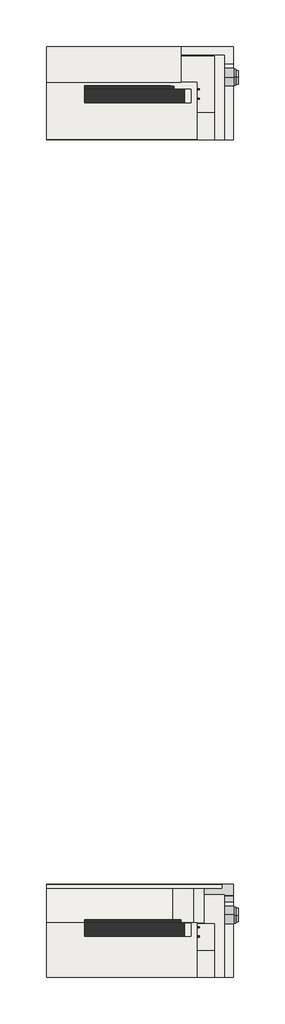
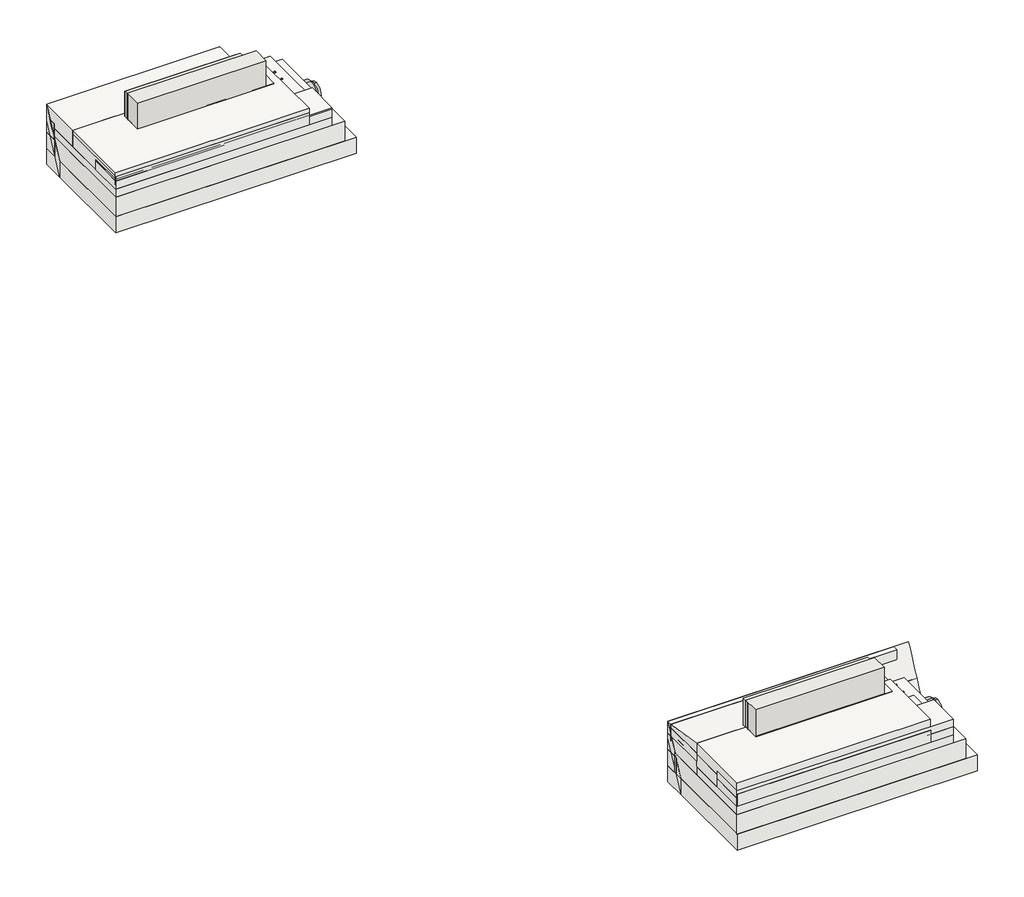
# One storey: 27 slabs, 6 duct segments, 5 walls, 4 cable carrier segments, 2 coverings.
"""IFC4 building model written with IfcOpenShell, lengths in millimetres."""

from ifc_helpers import new_model, si_unit, point, frame, frame_2d, origin, origin_with_axes, place, context, project, spatial, polyline, circle_curve, trimmed, segment, composite_curve, outline, extrude, element, save
from ifc_brep_helpers import plane_surface, spline_surface, advanced_brep

model = new_model("IFC4")

# Units and contexts
model_context = context("Model", 3, world=origin())
ifc_project = project(units=[si_unit("LENGTHUNIT", "METRE", prefix="MILLI")], contexts=[model_context])

# Site, building, storey
site = spatial("IfcSite", under=ifc_project)
building = spatial("IfcBuilding", under=site)
storey = spatial("IfcBuildingStorey", under=building, Elevation=0.0)

# Cable carrier segments
placement = place(None, origin())
element("IfcCableCarrierSegment", 1, at=placement, inside=storey, context=model_context, shape_type="SweptSolid", body=[
    extrude(outline(composite_curve([segment(trimmed(circle_curve(frame_2d((262.2564599, 791.2288643)), 11.71), [point((273.9664599, 791.2288643))], [point((262.2564599, 779.5188643))], False, "CARTESIAN"), True, "CONTINUOUS"), segment(trimmed(circle_curve(frame_2d((262.2564599, 791.2288643)), 11.71), [point((262.2564599, 779.5188643))], [point((250.5464599, 791.2288643))], False, "CARTESIAN"), True, "CONTINUOUS"), segment(trimmed(circle_curve(frame_2d((262.2564599, 791.2288643)), 11.71), [point((250.5464599, 791.2288643))], [point((262.2564599, 802.9388643))], False, "CARTESIAN"), True, "CONTINUOUS"), segment(trimmed(circle_curve(frame_2d((262.2564599, 791.2288643)), 11.71), [point((262.2564599, 802.9388643))], [point((273.9664599, 791.2288643))], False, "CARTESIAN"), True, "CONTINUOUS")], self_intersect=False)), frame((-19193.1632659, 0.0, 0.0), z_axis=(1.0, 0.0, 0.0), x_axis=(0.0, 1.0, 0.0)), (0.0, 0.0, 1.0), 980.0),
])
element("IfcCableCarrierSegment", 2, at=placement, inside=storey, context=model_context, shape_type="SweptSolid", body=[
    extrude(outline(composite_curve([segment(trimmed(circle_curve(frame_2d((475.0128628, 791.2288643)), 11.71), [point((486.7228628, 791.2288643))], [point((475.0128628, 779.5188643))], False, "CARTESIAN"), True, "CONTINUOUS"), segment(trimmed(circle_curve(frame_2d((475.0128628, 791.2288643)), 11.71), [point((475.0128628, 779.5188643))], [point((463.3028628, 791.2288643))], False, "CARTESIAN"), True, "CONTINUOUS"), segment(trimmed(circle_curve(frame_2d((475.0128628, 791.2288643)), 11.71), [point((463.3028628, 791.2288643))], [point((475.0128628, 802.9388643))], False, "CARTESIAN"), True, "CONTINUOUS"), segment(trimmed(circle_curve(frame_2d((475.0128628, 791.2288643)), 11.71), [point((475.0128628, 802.9388643))], [point((486.7228628, 791.2288643))], False, "CARTESIAN"), True, "CONTINUOUS")], self_intersect=False)), frame((-19193.1632659, 0.0, 0.0), z_axis=(1.0, 0.0, 0.0), x_axis=(0.0, 1.0, 0.0)), (0.0, 0.0, 1.0), 980.0),
])
element("IfcCableCarrierSegment", 3, at=placement, inside=storey, context=model_context, shape_type="SweptSolid", body=[
    extrude(outline(composite_curve([segment(trimmed(circle_curve(frame_2d((-18637.7435401, 871.2288643)), 11.71), [point((-18626.0335401, 871.2288643))], [point((-18637.7435401, 859.5188643))], False, "CARTESIAN"), True, "CONTINUOUS"), segment(trimmed(circle_curve(frame_2d((-18637.7435401, 871.2288643)), 11.71), [point((-18637.7435401, 859.5188643))], [point((-18649.4535401, 871.2288643))], False, "CARTESIAN"), True, "CONTINUOUS"), segment(trimmed(circle_curve(frame_2d((-18637.7435401, 871.2288643)), 11.71), [point((-18649.4535401, 871.2288643))], [point((-18637.7435401, 882.9388643))], False, "CARTESIAN"), True, "CONTINUOUS"), segment(trimmed(circle_curve(frame_2d((-18637.7435401, 871.2288643)), 11.71), [point((-18637.7435401, 882.9388643))], [point((-18626.0335401, 871.2288643))], False, "CARTESIAN"), True, "CONTINUOUS")], self_intersect=False)), frame((-19193.1632659, 0.0, 0.0), z_axis=(1.0, 0.0, 0.0), x_axis=(0.0, 1.0, 0.0)), (0.0, 0.0, 1.0), 980.0),
])
element("IfcCableCarrierSegment", 4, at=placement, inside=storey, context=model_context, shape_type="SweptSolid", body=[
    extrude(outline(composite_curve([segment(trimmed(circle_curve(frame_2d((-18424.9871372, 871.2288643)), 11.71), [point((-18413.2771372, 871.2288643))], [point((-18424.9871372, 859.5188643))], False, "CARTESIAN"), True, "CONTINUOUS"), segment(trimmed(circle_curve(frame_2d((-18424.9871372, 871.2288643)), 11.71), [point((-18424.9871372, 859.5188643))], [point((-18436.6971372, 871.2288643))], False, "CARTESIAN"), True, "CONTINUOUS"), segment(trimmed(circle_curve(frame_2d((-18424.9871372, 871.2288643)), 11.71), [point((-18436.6971372, 871.2288643))], [point((-18424.9871372, 882.9388643))], False, "CARTESIAN"), True, "CONTINUOUS"), segment(trimmed(circle_curve(frame_2d((-18424.9871372, 871.2288643)), 11.71), [point((-18424.9871372, 882.9388643))], [point((-18413.2771372, 871.2288643))], False, "CARTESIAN"), True, "CONTINUOUS")], self_intersect=False)), frame((-19193.1632659, 0.0, 0.0), z_axis=(1.0, 0.0, 0.0), x_axis=(0.0, 1.0, 0.0)), (0.0, 0.0, 1.0), 980.0),
])

# Coverings
element("IfcCovering", 5, at=placement, inside=storey, context=model_context, shape_type="SweptSolid", body=[
    extrude(outline(polyline([(-20811.3780113, 175.7393949), (-20811.3780113, 475.0128628), (-18411.3780113, 475.0128628), (-18411.3780113, 175.7393949), (-20811.3780113, 175.7393949)])), frame((0.0, 0.0, 780.0), z_axis=(0.0, 0.0, 1.0), x_axis=(1.0, 0.0, 0.0)), (0.0, 0.0, 1.0), 52.0),
])
element("IfcCovering", 6, at=placement, inside=storey, context=model_context, shape_type="SweptSolid", body=[
    extrude(outline(polyline([(-20811.3780113, -18634.6336633), (-20811.3780113, -18335.3601954), (-18411.3780113, -18335.3601954), (-18411.3780113, -18634.6336633), (-20811.3780113, -18634.6336633)])), frame((0.0, 0.0, 899.2790053), z_axis=(0.0, 0.0, 1.0), x_axis=(1.0, 0.0, 0.0)), (0.0, 0.0, 1.0), 52.0),
])

# Duct segments
element("IfcDuctSegment", 7, at=placement, inside=storey, context=model_context, shape_type="SweptSolid", body=[
    extrude(outline(composite_curve([segment(trimmed(circle_curve(frame_2d((744.2158822, -20.2453407)), 152.4), [point((591.8158822, -20.2453407))], [point((744.2158822, 132.1546593))], False, "CARTESIAN"), True, "CONTINUOUS"), segment(trimmed(circle_curve(frame_2d((744.2158822, -20.2453407)), 152.4), [point((744.2158822, 132.1546593))], [point((896.6158822, -20.2453407))], False, "CARTESIAN"), True, "CONTINUOUS"), segment(trimmed(circle_curve(frame_2d((744.2158822, -20.2453407)), 152.4), [point((896.6158822, -20.2453407))], [point((744.2158822, -172.6453407))], False, "CARTESIAN"), True, "CONTINUOUS"), segment(trimmed(circle_curve(frame_2d((744.2158822, -20.2453407)), 152.4), [point((744.2158822, -172.6453407))], [point((591.8158822, -20.2453407))], False, "CARTESIAN"), True, "CONTINUOUS")], self_intersect=False)), frame((-18538.4562479, 0.0, 0.0), z_axis=(1.0, 0.0, 0.0), x_axis=(0.0, 1.0, 0.0)), (0.0, 0.0, 1.0), 1200.0),
])
element("IfcDuctSegment", 8, at=placement, inside=storey, context=model_context, shape_type="SweptSolid", body=[
    extrude(outline(composite_curve([segment(trimmed(circle_curve(frame_2d((744.2158822, -20.2453407)), 180.0), [point((564.2158822, -20.2453407))], [point((744.2158822, 159.7546593))], False, "CARTESIAN"), True, "CONTINUOUS"), segment(trimmed(circle_curve(frame_2d((744.2158822, -20.2453407)), 180.0), [point((744.2158822, 159.7546593))], [point((924.2158822, -20.2453407))], False, "CARTESIAN"), True, "CONTINUOUS"), segment(trimmed(circle_curve(frame_2d((744.2158822, -20.2453407)), 180.0), [point((924.2158822, -20.2453407))], [point((744.2158822, -200.2453407))], False, "CARTESIAN"), True, "CONTINUOUS"), segment(trimmed(circle_curve(frame_2d((744.2158822, -20.2453407)), 180.0), [point((744.2158822, -200.2453407))], [point((564.2158822, -20.2453407))], False, "CARTESIAN"), True, "CONTINUOUS")], self_intersect=False)), frame((-18538.4562479, 0.0, 0.0), z_axis=(1.0, 0.0, 0.0), x_axis=(0.0, 1.0, 0.0)), (0.0, 0.0, 1.0), 1140.0),
])
element("IfcDuctSegment", 9, at=placement, inside=storey, context=model_context, shape_type="SweptSolid", body=[
    extrude(outline(composite_curve([segment(trimmed(circle_curve(frame_2d((748.3021179, -18.7338147)), 200.0), [point((948.3021179, -18.7338147))], [point((748.3021179, -218.7338147))], False, "CARTESIAN"), True, "CONTINUOUS"), segment(trimmed(circle_curve(frame_2d((748.3021179, -18.7338147)), 200.0), [point((748.3021179, -218.7338147))], [point((548.3021179, -18.7338147))], False, "CARTESIAN"), True, "CONTINUOUS"), segment(trimmed(circle_curve(frame_2d((748.3021179, -18.7338147)), 200.0), [point((548.3021179, -18.7338147))], [point((748.3021179, 181.2661853))], False, "CARTESIAN"), True, "CONTINUOUS"), segment(trimmed(circle_curve(frame_2d((748.3021179, -18.7338147)), 200.0), [point((748.3021179, 181.2661853))], [point((948.3021179, -18.7338147))], False, "CARTESIAN"), True, "CONTINUOUS")], self_intersect=False)), frame((-19765.0738676, 0.0, 0.0), z_axis=(1.0, 0.0, 0.0), x_axis=(0.0, 1.0, 0.0)), (0.0, 0.0, 1.0), 2330.0),
])
element("IfcDuctSegment", 10, at=placement, inside=storey, context=model_context, shape_type="SweptSolid", body=[
    extrude(outline(composite_curve([segment(trimmed(circle_curve(frame_2d((-18155.7841178, -20.2453407)), 152.4), [point((-18308.1841178, -20.2453407))], [point((-18155.7841178, 132.1546593))], False, "CARTESIAN"), True, "CONTINUOUS"), segment(trimmed(circle_curve(frame_2d((-18155.7841178, -20.2453407)), 152.4), [point((-18155.7841178, 132.1546593))], [point((-18003.3841178, -20.2453407))], False, "CARTESIAN"), True, "CONTINUOUS"), segment(trimmed(circle_curve(frame_2d((-18155.7841178, -20.2453407)), 152.4), [point((-18003.3841178, -20.2453407))], [point((-18155.7841178, -172.6453407))], False, "CARTESIAN"), True, "CONTINUOUS"), segment(trimmed(circle_curve(frame_2d((-18155.7841178, -20.2453407)), 152.4), [point((-18155.7841178, -172.6453407))], [point((-18308.1841178, -20.2453407))], False, "CARTESIAN"), True, "CONTINUOUS")], self_intersect=False)), frame((-18538.4562479, 0.0, 0.0), z_axis=(1.0, 0.0, 0.0), x_axis=(0.0, 1.0, 0.0)), (0.0, 0.0, 1.0), 1200.0),
])
element("IfcDuctSegment", 11, at=placement, inside=storey, context=model_context, shape_type="SweptSolid", body=[
    extrude(outline(composite_curve([segment(trimmed(circle_curve(frame_2d((-18155.7841178, -20.2453407)), 180.0), [point((-18335.7841178, -20.2453407))], [point((-18155.7841178, 159.7546593))], False, "CARTESIAN"), True, "CONTINUOUS"), segment(trimmed(circle_curve(frame_2d((-18155.7841178, -20.2453407)), 180.0), [point((-18155.7841178, 159.7546593))], [point((-17975.7841178, -20.2453407))], False, "CARTESIAN"), True, "CONTINUOUS"), segment(trimmed(circle_curve(frame_2d((-18155.7841178, -20.2453407)), 180.0), [point((-17975.7841178, -20.2453407))], [point((-18155.7841178, -200.2453407))], False, "CARTESIAN"), True, "CONTINUOUS"), segment(trimmed(circle_curve(frame_2d((-18155.7841178, -20.2453407)), 180.0), [point((-18155.7841178, -200.2453407))], [point((-18335.7841178, -20.2453407))], False, "CARTESIAN"), True, "CONTINUOUS")], self_intersect=False)), frame((-18538.4562479, 0.0, 0.0), z_axis=(1.0, 0.0, 0.0), x_axis=(0.0, 1.0, 0.0)), (0.0, 0.0, 1.0), 1140.0),
])
element("IfcDuctSegment", 12, at=placement, inside=storey, context=model_context, shape_type="SweptSolid", body=[
    extrude(outline(composite_curve([segment(trimmed(circle_curve(frame_2d((-18151.6978821, -18.7338147)), 200.0), [point((-17951.6978821, -18.7338147))], [point((-18151.6978821, -218.7338147))], False, "CARTESIAN"), True, "CONTINUOUS"), segment(trimmed(circle_curve(frame_2d((-18151.6978821, -18.7338147)), 200.0), [point((-18151.6978821, -218.7338147))], [point((-18351.6978821, -18.7338147))], False, "CARTESIAN"), True, "CONTINUOUS"), segment(trimmed(circle_curve(frame_2d((-18151.6978821, -18.7338147)), 200.0), [point((-18351.6978821, -18.7338147))], [point((-18151.6978821, 181.2661853))], False, "CARTESIAN"), True, "CONTINUOUS"), segment(trimmed(circle_curve(frame_2d((-18151.6978821, -18.7338147)), 200.0), [point((-18151.6978821, 181.2661853))], [point((-17951.6978821, -18.7338147))], False, "CARTESIAN"), True, "CONTINUOUS")], self_intersect=False)), frame((-19765.0738676, 0.0, 0.0), z_axis=(1.0, 0.0, 0.0), x_axis=(0.0, 1.0, 0.0)), (0.0, 0.0, 1.0), 2330.0),
])

# Slabs
element("IfcSlab", 13, at=placement, inside=storey, context=model_context, shape_type="SweptSolid", body=[
    extrude(outline(polyline([(-21673.7235521, 1038.3021179), (-17451.3780113, 1038.3021179), (-17451.3780113, -661.6978821), (-21673.7235521, -661.6978821), (-21673.7235521, 1038.3021179)])), frame((0.0, 0.0, -300.0), z_axis=(0.0, 0.0, 1.0), x_axis=(1.0, 0.0, 0.0)), (0.0, 0.0, 1.0), 300.0),
])
element("IfcSlab", 14, at=placement, inside=storey, context=model_context, shape_type="AdvancedBrep", body=[
    advanced_brep(
    [(-21673.7235521, 1438.3021179, 520.0), (-21673.7235521, 1438.3021179, 820.0), (-18631.3780113, 1438.3021179, 822.2193174), (-18631.3780113, 1438.3021179, 522.2193174), (-18631.3780113, 1038.3021179, 0.0), (-18631.3780113, 1038.3021179, -300.0), (-21673.7235521, 1038.3021179, 0.0), (-21673.7235521, 1038.3021179, -300.0)],
    [
        (0, 1),
        (1, 2),
        (2, 3),
        (3, 0),
        (2, 4),
        (4, 5),
        (5, 3),
        (4, 6),
        (6, 7),
        (7, 5),
        (6, 1),
        (0, 7),
    ],
    [
        plane_surface(frame((-21673.7235521, 1438.3021179, -300.0), z_axis=(0.0, 1.0, 0.0), x_axis=(0.0, 0.0, 1.0))),
        plane_surface(frame((-18631.3780113, 1438.3021179, -300.0), z_axis=(1.0, 0.0, 0.0), x_axis=(0.0, 0.0, 1.0))),
        plane_surface(frame((-18631.3780113, 1038.3021179, -300.0), z_axis=(0.0, -1.0, 0.0), x_axis=(0.0, 0.0, 1.0))),
        plane_surface(frame((-21673.7235521, 1038.3021179, -300.0), z_axis=(-1.0, 0.0, 0.0), x_axis=(0.0, 0.0, 1.0))),
        spline_surface(1, 1, [[(-18631.3780113, 1038.3021179, 0.0), (-21673.7235521, 1038.3021179, 0.0)], [(-18631.3780113, 1438.3021179, 822.2193174), (-21673.7235521, 1438.3021179, 820.0)]], [2, 2], [2, 2], [0.0, 1.0], [0.0, 1.0]),
        spline_surface(1, 1, [[(-18631.3780113, 1038.3021179, -300.0), (-18631.3780113, 1438.3021179, 522.2193174)], [(-21673.7235521, 1038.3021179, -300.0), (-21673.7235521, 1438.3021179, 520.0)]], [2, 2], [2, 2], [0.0, 1.0], [0.0, 1.0]),
    ],
    [
        (0, [[1, 2, 3, 4]]),
        (1, [[-3, 5, 6, 7]]),
        (2, [[-6, 8, 9, 10]]),
        (3, [[-9, 11, -1, 12]]),
        (4, [[-8, -5, -2, -11]]),
        (5, [[-12, -4, -7, -10]]),
    ],
),
])
element("IfcSlab", 15, at=placement, inside=storey, context=model_context, shape_type="SweptSolid", body=[
    extrude(outline(polyline([(-21673.7235521, 1238.9302757), (-17653.7235521, 1238.9302757), (-17653.7235521, -661.0697243), (-21673.7235521, -661.0697243), (-21673.7235521, 1238.9302757)])), origin_with_axes(), (0.0, 0.0, 1.0), 362.0),
])
element("IfcSlab", 16, at=placement, inside=storey, context=model_context, shape_type="SweptSolid", body=[
    extrude(outline(polyline([(-21673.7235521, 1438.3021179), (-17451.3780113, 1438.3021179), (-17451.3780113, 1038.3021179), (-21673.7235521, 1038.3021179), (-21673.7235521, 1438.3021179)])), frame((0.0, 0.0, -300.0), z_axis=(0.0, 0.0, 1.0), x_axis=(1.0, 0.0, 0.0)), (0.0, 0.0, 1.0), 300.0),
])
element("IfcSlab", 17, at=placement, inside=storey, context=model_context, shape_type="SweptSolid", body=[
    extrude(outline(polyline([(-21673.7235521, 1438.3021179), (-18631.3780113, 1438.3021179), (-18631.3780113, 1184.6435813), (-21673.7235521, 1184.6435813), (-21673.7235521, 1438.3021179)])), origin_with_axes(), (0.0, 0.0, 1.0), 300.0),
])
element("IfcSlab", 18, at=placement, inside=storey, context=model_context, shape_type="SweptSolid", body=[
    extrude(outline(polyline([(-21673.7235521, 1438.3021179), (-18631.3780113, 1438.3021179), (-18631.3780113, 1198.3021179), (-21673.7235521, 1198.3021179), (-21673.7235521, 1438.3021179)])), frame((0.0, 0.0, 300.0), z_axis=(0.0, 0.0, 1.0), x_axis=(1.0, 0.0, 0.0)), (0.0, 0.0, 1.0), 300.0),
])
element("IfcSlab", 19, at=placement, inside=storey, context=model_context, shape_type="SweptSolid", body=[
    extrude(outline(polyline([(-21673.7235521, 1438.3021179), (-18631.3780113, 1438.3021179), (-18631.3780113, 638.3021179), (-21673.7235521, 638.3021179), (-21673.7235521, 1438.3021179)])), frame((0.0, 0.0, 520.0), z_axis=(0.0, 0.0, 1.0), x_axis=(1.0, 0.0, 0.0)), (0.0, 0.0, 1.0), 300.0),
])
element("IfcSlab", 20, at=placement, inside=storey, context=model_context, shape_type="SweptSolid", body=[
    extrude(outline(polyline([(-21673.7235521, 1215.0128628), (-17873.7235521, 1215.0128628), (-17873.7235521, -660.8470822), (-21673.7235521, -660.8470822), (-21673.7235521, 1215.0128628)])), frame((0.0, 0.0, 363.1783304), z_axis=(0.0, 0.0, 1.0), x_axis=(1.0, 0.0, 0.0)), (0.0, 0.0, 1.0), 150.0),
])
element("IfcSlab", 21, at=placement, inside=storey, context=model_context, shape_type="SweptSolid", body=[
    extrude(outline(polyline([(-21673.7235521, -60.8470822), (-17873.7235521, -60.8470822), (-17873.7235521, -660.8470822), (-21673.7235521, -660.8470822), (-21673.7235521, -60.8470822)])), frame((0.0, 0.0, 513.1783304), z_axis=(0.0, 0.0, 1.0), x_axis=(1.0, 0.0, 0.0)), (0.0, 0.0, 1.0), 150.0),
])
element("IfcSlab", 22, at=placement, inside=storey, context=model_context, shape_type="SweptSolid", body=[
    extrude(outline(polyline([(-21673.7235521, -59.3767479), (-17873.7235521, -59.3767479), (-17873.7235521, -659.3767479), (-21673.7235521, -659.3767479), (-21673.7235521, -59.3767479)])), frame((0.0, 0.0, 547.0219235), z_axis=(0.0, 0.0, 1.0), x_axis=(1.0, 0.0, 0.0)), (0.0, 0.0, 1.0), 150.0),
])
element("IfcSlab", 23, at=placement, inside=storey, context=model_context, shape_type="SweptSolid", body=[
    extrude(outline(polyline([(-21673.7235521, 632.9513074), (-18273.7235521, 632.9513074), (-18273.7235521, -661.6978821), (-21673.7235521, -661.6978821), (-21673.7235521, 632.9513074)])), frame((0.0, 0.0, 514.2790053), z_axis=(0.0, 0.0, 1.0), x_axis=(1.0, 0.0, 0.0)), (0.0, 0.0, 1.0), 225.0),
])
element("IfcSlab", 24, at=placement, inside=storey, context=model_context, shape_type="SweptSolid", body=[
    extrude(outline(polyline([(-21673.7235521, 637.8979952), (-18273.7235521, 637.8979952), (-18273.7235521, -656.7511944), (-21673.7235521, -656.7511944), (-21673.7235521, 637.8979952)])), frame((0.0, 0.0, 594.2288643), z_axis=(0.0, 0.0, 1.0), x_axis=(1.0, 0.0, 0.0)), (0.0, 0.0, 1.0), 225.0),
])
element("IfcSlab", 25, at=placement, inside=storey, context=model_context, shape_type="SweptSolid", body=[
    extrude(outline(polyline([(-21673.7235521, -17861.6978821), (-17451.3780113, -17861.6978821), (-17451.3780113, -19561.6978821), (-21673.7235521, -19561.6978821), (-21673.7235521, -17861.6978821)])), frame((0.0, 0.0, -300.0), z_axis=(0.0, 0.0, 1.0), x_axis=(1.0, 0.0, 0.0)), (0.0, 0.0, 1.0), 300.0),
])
element("IfcSlab", 26, at=placement, inside=storey, context=model_context, shape_type="AdvancedBrep", body=[
    advanced_brep(
    [(-21673.7235521, -17461.6978821, 520.0), (-21673.7235521, -17461.6978821, 820.0), (-17451.3780113, -17461.6978821, 822.2193174), (-17451.3780113, -17461.6978821, 522.2193174), (-17451.3780113, -17861.6978821, 0.0), (-17451.3780113, -17861.6978821, -300.0), (-21673.7235521, -17861.6978821, 0.0), (-21673.7235521, -17861.6978821, -300.0)],
    [
        (0, 1),
        (1, 2),
        (2, 3),
        (3, 0),
        (2, 4),
        (4, 5),
        (5, 3),
        (4, 6),
        (6, 7),
        (7, 5),
        (6, 1),
        (0, 7),
    ],
    [
        plane_surface(frame((-21673.7235521, -17461.6978821, -300.0), z_axis=(0.0, 1.0, 0.0), x_axis=(0.0, 0.0, 1.0))),
        plane_surface(frame((-17451.3780113, -17461.6978821, -300.0), z_axis=(1.0, 0.0, 0.0), x_axis=(0.0, 0.0, 1.0))),
        plane_surface(frame((-17451.3780113, -17861.6978821, -300.0), z_axis=(0.0, -1.0, 0.0), x_axis=(0.0, 0.0, 1.0))),
        plane_surface(frame((-21673.7235521, -17861.6978821, -300.0), z_axis=(-1.0, 0.0, 0.0), x_axis=(0.0, 0.0, 1.0))),
        spline_surface(1, 1, [[(-17451.3780113, -17861.6978821, 0.0), (-21673.7235521, -17861.6978821, 0.0)], [(-17451.3780113, -17461.6978821, 822.2193174), (-21673.7235521, -17461.6978821, 820.0)]], [2, 2], [2, 2], [0.0, 1.0], [0.0, 1.0]),
        spline_surface(1, 1, [[(-17451.3780113, -17861.6978821, -300.0), (-17451.3780113, -17461.6978821, 522.2193174)], [(-21673.7235521, -17861.6978821, -300.0), (-21673.7235521, -17461.6978821, 520.0)]], [2, 2], [2, 2], [0.0, 1.0], [0.0, 1.0]),
    ],
    [
        (0, [[1, 2, 3, 4]]),
        (1, [[-3, 5, 6, 7]]),
        (2, [[-6, 8, 9, 10]]),
        (3, [[-9, 11, -1, 12]]),
        (4, [[-8, -5, -2, -11]]),
        (5, [[-12, -4, -7, -10]]),
    ],
),
])
element("IfcSlab", 27, at=placement, inside=storey, context=model_context, shape_type="SweptSolid", body=[
    extrude(outline(polyline([(-21673.7235521, -17661.0697243), (-17653.7235521, -17661.0697243), (-17653.7235521, -19561.0697243), (-21673.7235521, -19561.0697243), (-21673.7235521, -17661.0697243)])), origin_with_axes(), (0.0, 0.0, 1.0), 362.0),
])
element("IfcSlab", 28, at=placement, inside=storey, context=model_context, shape_type="SweptSolid", body=[
    extrude(outline(polyline([(-21673.7235521, -17461.6978821), (-17451.3780113, -17461.6978821), (-17451.3780113, -17861.6978821), (-21673.7235521, -17861.6978821), (-21673.7235521, -17461.6978821)])), frame((0.0, 0.0, -300.0), z_axis=(0.0, 0.0, 1.0), x_axis=(1.0, 0.0, 0.0)), (0.0, 0.0, 1.0), 300.0),
])
element("IfcSlab", 29, at=placement, inside=storey, context=model_context, shape_type="SweptSolid", body=[
    extrude(outline(polyline([(-21673.7235521, -17461.6978821), (-17451.3780113, -17461.6978821), (-17451.3780113, -17715.3564187), (-21673.7235521, -17715.3564187), (-21673.7235521, -17461.6978821)])), origin_with_axes(), (0.0, 0.0, 1.0), 300.0),
])
element("IfcSlab", 30, at=placement, inside=storey, context=model_context, shape_type="SweptSolid", body=[
    extrude(outline(polyline([(-21673.7235521, -17461.6978821), (-17451.3780113, -17461.6978821), (-17451.3780113, -17561.6978821), (-21673.7235521, -17561.6978821), (-21673.7235521, -17461.6978821)])), frame((0.0, 0.0, 300.0), z_axis=(0.0, 0.0, 1.0), x_axis=(1.0, 0.0, 0.0)), (0.0, 0.0, 1.0), 300.0),
])
element("IfcSlab", 31, at=placement, inside=storey, context=model_context, shape_type="SweptSolid", body=[
    extrude(outline(polyline([(-21673.7235521, -17461.6978821), (-17711.3780113, -17461.6978821), (-17711.3780113, -17553.537634), (-21673.7235521, -17553.537634), (-21673.7235521, -17461.6978821)])), frame((0.0, 0.0, 520.0), z_axis=(0.0, 0.0, 1.0), x_axis=(1.0, 0.0, 0.0)), (0.0, 0.0, 1.0), 300.0),
])
element("IfcSlab", 32, at=placement, inside=storey, context=model_context, shape_type="SweptSolid", body=[
    extrude(outline(polyline([(-21673.7235521, -18354.9871372), (-17873.7235521, -18354.9871372), (-17873.7235521, -19560.8470822), (-21673.7235521, -19560.8470822), (-21673.7235521, -18354.9871372)])), frame((0.0, 0.0, 363.1783304), z_axis=(0.0, 0.0, 1.0), x_axis=(1.0, 0.0, 0.0)), (0.0, 0.0, 1.0), 150.0),
])
element("IfcSlab", 33, at=placement, inside=storey, context=model_context, shape_type="SweptSolid", body=[
    extrude(outline(polyline([(-21673.7235521, -18960.8470822), (-17873.7235521, -18960.8470822), (-17873.7235521, -19560.8470822), (-21673.7235521, -19560.8470822), (-21673.7235521, -18960.8470822)])), frame((0.0, 0.0, 513.1783304), z_axis=(0.0, 0.0, 1.0), x_axis=(1.0, 0.0, 0.0)), (0.0, 0.0, 1.0), 150.0),
])
element("IfcSlab", 34, at=placement, inside=storey, context=model_context, shape_type="SweptSolid", body=[
    extrude(outline(polyline([(-21673.7235521, -18958.0981964), (-17873.7235521, -18958.0981964), (-17873.7235521, -19558.0981964), (-21673.7235521, -19558.0981964), (-21673.7235521, -18958.0981964)])), frame((0.0, 0.0, 649.2790053), z_axis=(0.0, 0.0, 1.0), x_axis=(1.0, 0.0, 0.0)), (0.0, 0.0, 1.0), 150.0),
])
element("IfcSlab", 35, at=placement, inside=storey, context=model_context, shape_type="SweptSolid", body=[
    extrude(outline(polyline([(-21673.7235521, -18331.6978821), (-18273.7235521, -18331.6978821), (-18273.7235521, -19561.6978821), (-21673.7235521, -19561.6978821), (-21673.7235521, -18331.6978821)])), frame((0.0, 0.0, 514.2790053), z_axis=(0.0, 0.0, 1.0), x_axis=(1.0, 0.0, 0.0)), (0.0, 0.0, 1.0), 225.0),
])
element("IfcSlab", 36, at=placement, inside=storey, context=model_context, shape_type="SweptSolid", body=[
    extrude(outline(polyline([(-21673.7235521, -18331.5582254), (-18273.7235521, -18331.5582254), (-18273.7235521, -19556.6115376), (-21673.7235521, -19556.6115376), (-21673.7235521, -18331.5582254)])), frame((0.0, 0.0, 715.0), z_axis=(0.0, 0.0, 1.0), x_axis=(1.0, 0.0, 0.0)), (0.0, 0.0, 1.0), 225.0),
])
element("IfcSlab", 37, at=placement, inside=storey, context=model_context, shape_type="SweptSolid", body=[
    extrude(outline(polyline([(-21673.7235521, -17537.363957), (-18111.3780113, -17537.363957), (-18111.3780113, -18331.6978821), (-21673.7235521, -18331.6978821), (-21673.7235521, -17537.363957)])), frame((0.0, 0.0, 298.0), z_axis=(0.0, 0.0, 1.0), x_axis=(1.0, 0.0, 0.0)), (0.0, 0.0, 1.0), 362.0),
])
element("IfcSlab", 38, at=placement, inside=storey, context=model_context, shape_type="SweptSolid", body=[
    extrude(outline(polyline([(-21673.7235521, -17550.5037182), (-18351.3780113, -17550.5037182), (-18351.3780113, -18331.6978821), (-21673.7235521, -18331.6978821), (-21673.7235521, -17550.5037182)])), frame((0.0, 0.0, 610.0), z_axis=(0.0, 0.0, 1.0), x_axis=(1.0, 0.0, 0.0)), (0.0, 0.0, 1.0), 150.0),
])
element("IfcSlab", 39, at=placement, inside=storey, context=model_context, shape_type="SweptSolid", body=[
    extrude(outline(polyline([(-18331.6978821, 715.0), (-18331.6978821, 940.0), (-17553.537634, 820.0), (-17553.537634, 595.0), (-18331.6978821, 715.0)])), frame((-21673.7235521, 0.0, 0.0), z_axis=(1.0, 0.0, 0.0), x_axis=(0.0, 1.0, 0.0)), (0.0, 0.0, 1.0), 2842.3455408),
])

# Walls
element("IfcWall", 40, at=placement, inside=storey, context=model_context, shape_type="SweptSolid", body=[
    extrude(outline(polyline([(-20811.3780113, 475.0128628), (-18551.3780113, 475.0128628), (-18551.3780113, 175.0128628), (-20811.3780113, 175.0128628), (-20811.3780113, 475.0128628)])), frame((0.0, 0.0, 739.2790053), z_axis=(0.0, 0.0, 1.0), x_axis=(1.0, 0.0, 0.0)), (0.0, 0.0, 1.0), 560.7209947),
])
element("IfcWall", 41, at=placement, inside=storey, context=model_context, shape_type="SweptSolid", body=[
    extrude(outline(polyline([(-20811.3780113, 545.0128628), (-18791.3780113, 545.0128628), (-18791.3780113, 405.0128628), (-20811.3780113, 405.0128628), (-20811.3780113, 545.0128628)])), frame((0.0, 0.0, 520.0), z_axis=(0.0, 0.0, 1.0), x_axis=(1.0, 0.0, 0.0)), (0.0, 0.0, 1.0), 775.0),
])
element("IfcWall", 42, at=placement, inside=storey, context=model_context, shape_type="SweptSolid", body=[
    extrude(outline(polyline([(-20811.3780113, 550.0128628), (-18871.3780113, 550.0128628), (-18871.3780113, 460.0128628), (-20811.3780113, 460.0128628), (-20811.3780113, 550.0128628)])), frame((0.0, 0.0, 513.1783304), z_axis=(0.0, 0.0, 1.0), x_axis=(1.0, 0.0, 0.0)), (0.0, 0.0, 1.0), 776.8216696),
])
element("IfcWall", 43, at=placement, inside=storey, context=model_context, shape_type="SweptSolid", body=[
    extrude(outline(polyline([(-20811.3780113, -18331.6978821), (-18551.3780113, -18331.6978821), (-18551.3780113, -18631.6978821), (-20811.3780113, -18631.6978821), (-20811.3780113, -18331.6978821)])), frame((0.0, 0.0, 739.2790053), z_axis=(0.0, 0.0, 1.0), x_axis=(1.0, 0.0, 0.0)), (0.0, 0.0, 1.0), 700.7209947),
])
element("IfcWall", 44, at=placement, inside=storey, context=model_context, shape_type="SweptSolid", body=[
    extrude(outline(polyline([(-20811.3780113, -18261.6978821), (-18631.3780113, -18261.6978821), (-18631.3780113, -18401.6978821), (-20811.3780113, -18401.6978821), (-20811.3780113, -18261.6978821)])), frame((0.0, 0.0, 362.0), z_axis=(0.0, 0.0, 1.0), x_axis=(1.0, 0.0, 0.0)), (0.0, 0.0, 1.0), 1073.0),
])

save(model, "model.ifc")
